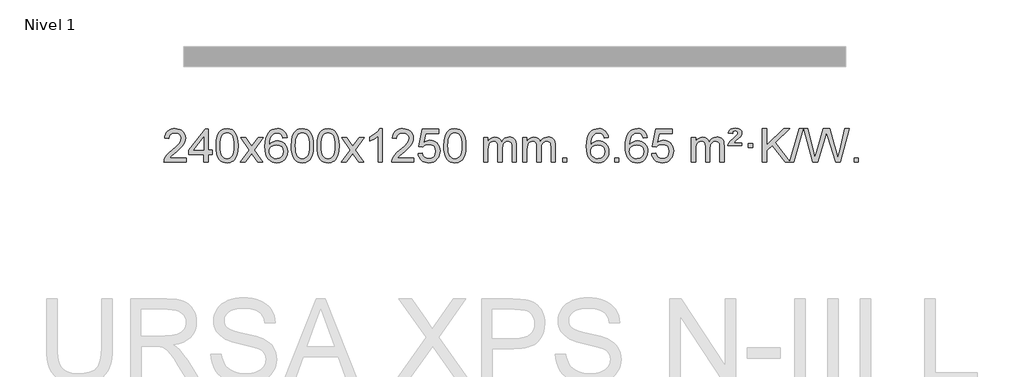
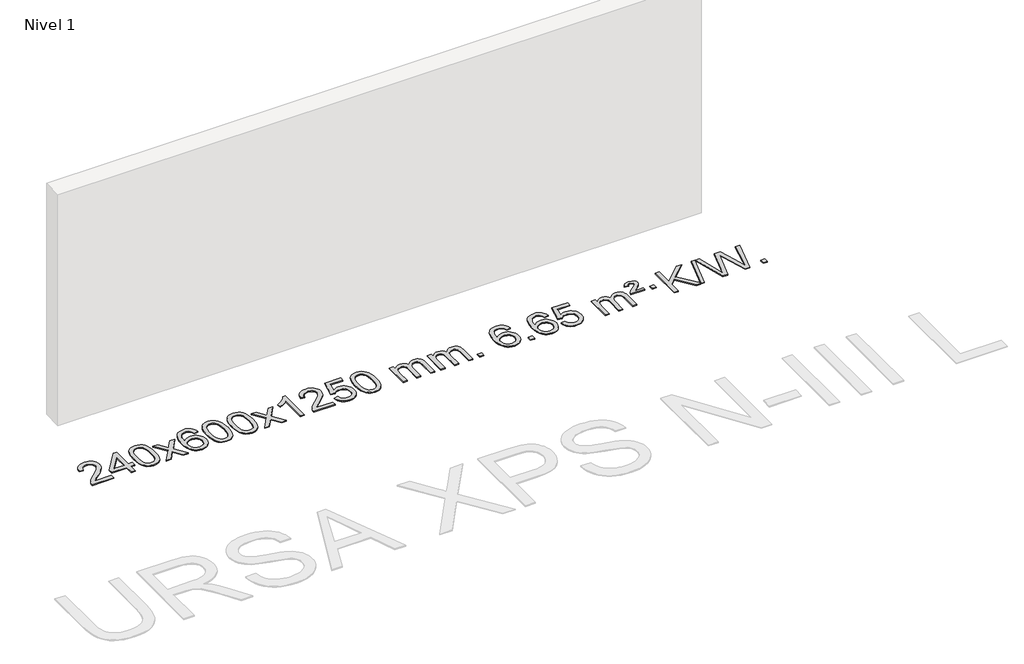
# One storey, part 2 of 12: 1 proxy.
"""IFC4 building model written with IfcOpenShell, lengths in millimetres."""

from ifc_helpers import new_model, si_unit, origin, origin_with_axes, place, context, project, spatial, polyline, outline, extrude, element, save

model = new_model("IFC4")

# Units and contexts
model_context = context("Model", 3, world=origin())
ifc_project = project(units=[si_unit("LENGTHUNIT", "METRE", prefix="MILLI")], contexts=[model_context])

# Site, building, storey
site = spatial("IfcSite", under=ifc_project)
building = spatial("IfcBuilding", under=site)
storey = spatial("IfcBuildingStorey", under=building, Name="Nivel 1", Elevation=0.0)

# Proxy
placement = place(None, origin())
element("IfcBuildingElementProxy", 1, Name="Texto de modelo 1", ObjectType="Texto de modelo 1", at=placement, inside=storey, context=model_context, shape_type="SweptSolid", body=[
    extrude(outline(polyline([(-6506.3978655, -27369.3512979), (-6506.3978655, -27419.579453), (-6770.0956797, -27419.579453), (-6768.9920337, -27401.8965918), (-6764.7000771, -27384.9494945), (-6752.3147166, -27357.8856424), (-6734.190397, -27331.6311307), (-6707.9726734, -27304.1503456), (-6671.3071012, -27273.4076736), (-6617.1058206, -27225.2641831), (-6584.5850522, -27189.7267824), (-6568.3246681, -27160.884834), (-6562.90454, -27132.8277005), (-6568.0180997, -27107.6768347), (-6583.3587789, -27086.7688747), (-6606.9400148, -27072.6789943), (-6636.7752446, -27067.9823675), (-6668.1065279, -27072.5686297), (-6692.4480532, -27086.3274163), (-6708.1566144, -27108.1796068), (-6713.5890052, -27137.0460807), (-6763.8171603, -27130.7675613), (-6759.4976125, -27104.838012), (-6751.6402663, -27082.1826125), (-6740.2451215, -27062.8013627), (-6725.3121781, -27046.6942627), (-6707.1847928, -27034.0329907), (-6686.206322, -27024.989225), (-6662.3767658, -27019.5629655), (-6635.6961241, -27017.7542124), (-6608.7763591, -27019.7653006), (-6584.8180442, -27025.7985654), (-6563.8211793, -27035.8540066), (-6545.7857645, -27049.9316242), (-6531.3004109, -27066.9890861), (-6520.9537298, -27085.9840598), (-6514.7457211, -27106.9165453), (-6512.6763849, -27129.7865427), (-6514.9082024, -27153.8092369), (-6521.6036547, -27177.4149983), (-6533.4862431, -27201.4254299), (-6551.2794689, -27226.6621347), (-6579.6431708, -27256.7916701), (-6623.2371872, -27295.4805933), (-6681.0191859, -27343.795762), (-6703.6807168, -27369.3512979), (-6506.3978655, -27369.3512979)])), origin_with_axes(), (0.0, 0.0, 1.0), 10.0),
    extrude(outline(polyline([(-6292.9282065, -27419.579453), (-6292.9282065, -27325.4016622), (-6475.0052686, -27325.4016622), (-6475.0052686, -27275.1735072), (-6280.3711677, -27024.0327318), (-6242.7000514, -27024.0327318), (-6242.7000514, -27275.1735072), (-6192.4718963, -27275.1735072), (-6192.4718963, -27325.4016622), (-6242.7000514, -27325.4016622), (-6242.7000514, -27419.579453), (-6292.9282065, -27419.579453)]), holes=[polyline([(-6292.9282065, -27275.1735072), (-6292.9282065, -27119.9763561), (-6413.2010934, -27275.1735072), (-6292.9282065, -27275.1735072)])]), origin_with_axes(), (0.0, 0.0, 1.0), 10.0),
    extrude(outline(polyline([(-6148.5222606, -27221.9041943), (-6144.8311779, -27157.5861588), (-6133.7579299, -27106.2911459), (-6115.4128811, -27067.2343407), (-6103.5548181, -27052.0009605), (-6089.9063961, -27039.6309284), (-6074.4216298, -27030.0598651), (-6057.0545339, -27023.2233914), (-6016.6733536, -27017.7542124), (-5985.722215, -27020.991574), (-5958.0084381, -27030.7036586), (-5934.8318724, -27046.5103217), (-5917.4923677, -27068.0314184), (-5904.3957686, -27095.0830078), (-5893.94792, -27127.4811488), (-5887.1053149, -27168.6226186), (-5884.8244465, -27221.9041943), (-5888.478741, -27285.8543477), (-5899.4416244, -27337.0267333), (-5917.6763087, -27376.1203266), (-5929.5067805, -27391.3996922), (-5943.1460055, -27403.8341036), (-5958.6491659, -27413.4695462), (-5976.071444, -27420.3520052), (-6016.6733536, -27425.8579724), (-6044.3380796, -27423.4667394), (-6068.8635459, -27416.2930405), (-6090.2497526, -27404.3368757), (-6108.4966996, -27387.5982449), (-6126.0078825, -27357.3399508), (-6138.5158704, -27319.6381776), (-6146.0206631, -27274.4929255), (-6148.5222606, -27221.9041943)]), holes=[polyline([(-6098.2941056, -27221.8060924), (-6096.8225776, -27265.4706195), (-6092.4079936, -27300.8148822), (-6085.0503537, -27327.8388804), (-6074.7496579, -27346.5426142), (-6062.290721, -27359.2682656), (-6048.4583579, -27368.3580165), (-6033.2525688, -27373.8118671), (-6016.6733536, -27375.6298173), (-6000.0941383, -27373.8057357), (-5984.8883492, -27368.3334911), (-5971.0559862, -27359.2130833), (-5958.5970493, -27346.4445124), (-5948.2963534, -27327.7101217), (-5940.9387135, -27300.6922549), (-5936.5241295, -27265.3909118), (-5935.0526016, -27221.8060924), (-5936.4750786, -27179.2973278), (-5940.7425098, -27144.5753989), (-5947.854895, -27117.6403055), (-5957.8122343, -27098.4920476), (-5970.0627048, -27085.1440625), (-5984.0544833, -27075.6097875), (-5999.78757, -27069.8892225), (-6017.2619648, -27067.9823675), (-6033.7553409, -27069.6623619), (-6048.7036126, -27074.7023452), (-6062.10678, -27083.1023175), (-6073.9648429, -27094.8622786), (-6084.6088953, -27115.708925), (-6092.2117899, -27143.8151094), (-6096.7735266, -27179.1808319), (-6098.2941056, -27221.8060924)])]), origin_with_axes(), (0.0, 0.0, 1.0), 10.0),
    extrude(outline(polyline([(-5859.7103689, -27419.579453), (-5752.3869282, -27271.2494325), (-5853.4318496, -27124.4890419), (-5793.0011005, -27124.4890419), (-5744.2444734, -27195.122385), (-5721.4848406, -27228.4770192), (-5701.7663657, -27201.2047007), (-5646.2407099, -27124.4890419), (-5585.8099608, -27124.4890419), (-5691.9561791, -27271.2494325), (-5589.7340354, -27419.579453), (-5650.1647845, -27419.579453), (-5711.6746541, -27330.4048574), (-5722.9563686, -27314.1199477), (-5799.2796199, -27419.579453), (-5859.7103689, -27419.579453)])), origin_with_axes(), (0.0, 0.0, 1.0), 10.0),
    extrude(outline(polyline([(-5300.9221437, -27124.4890419), (-5351.1502988, -27130.7675613), (-5359.2437027, -27105.874213), (-5370.1820607, -27088.8780648), (-5392.9662189, -27073.2062918), (-5420.5083176, -27067.9823675), (-5443.8565616, -27071.0235253), (-5465.8313794, -27080.1469988), (-5484.7037258, -27099.3627017), (-5500.1179814, -27125.8134171), (-5510.5290419, -27163.227016), (-5514.3918028, -27215.3313693), (-5494.2441322, -27191.8237098), (-5470.0988106, -27175.2567573), (-5443.3047386, -27165.434308), (-5415.2108169, -27162.1601582), (-5391.077758, -27164.398107), (-5368.8086346, -27171.1119534), (-5348.4034466, -27182.3016975), (-5329.862194, -27197.9673391), (-5314.4540698, -27217.1769106), (-5303.4482668, -27238.9984443), (-5296.844785, -27263.4319401), (-5294.6436244, -27290.4773982), (-5298.7884282, -27326.4439945), (-5311.2228396, -27359.786366), (-5330.9167891, -27388.0642287), (-5356.840207, -27408.8372987), (-5387.815871, -27421.602804), (-5422.6665587, -27425.8579724), (-5452.6090874, -27423.0375437), (-5479.6514797, -27414.5762579), (-5503.7937357, -27400.4741147), (-5525.0358552, -27380.7311143), (-5542.3539001, -27354.5133908), (-5554.7239322, -27320.9870783), (-5562.1459515, -27280.1521768), (-5564.6199579, -27232.0086864), (-5561.8731057, -27178.0342663), (-5553.632549, -27131.9693092), (-5539.8982878, -27093.8138149), (-5520.6703222, -27063.5677835), (-5499.8298072, -27043.5243462), (-5475.6660915, -27029.2076052), (-5448.179175, -27020.6175606), (-5417.3690579, -27017.7542124), (-5394.2354118, -27019.5261773), (-5373.2967949, -27024.8420722), (-5354.5532073, -27033.7018969), (-5338.0046489, -27046.1056515), (-5324.0987094, -27061.6364031), (-5313.2829788, -27079.8772186), (-5305.5574569, -27100.8280983), (-5300.9221437, -27124.4890419)]), holes=[polyline([(-5514.3918028, -27289.6925832), (-5511.485535, -27311.9494439), (-5502.7667318, -27333.2007605), (-5489.2286743, -27351.472233), (-5471.8646442, -27364.7895612), (-5450.9076332, -27372.9197533), (-5426.5906333, -27375.6298173), (-5393.4444655, -27370.0134855), (-5379.5293291, -27362.9930708), (-5367.3861575, -27353.1644901), (-5357.5361171, -27340.9262824), (-5350.500374, -27326.6769865), (-5344.8717794, -27292.1451299), (-5350.4267976, -27258.9989621), (-5357.3705702, -27245.3781312), (-5367.0918519, -27233.725469), (-5379.2718117, -27224.3904634), (-5393.5916183, -27217.7226022), (-5428.6507725, -27212.3883133), (-5461.7478893, -27217.7226022), (-5489.4248781, -27233.725469), (-5500.3479076, -27245.2248471), (-5508.1500716, -27258.3858254), (-5512.83137, -27273.2084042), (-5514.3918028, -27289.6925832)])]), origin_with_axes(), (0.0, 0.0, 1.0), 10.0),
    extrude(outline(polyline([(-5250.6939887, -27221.9041943), (-5247.002906, -27157.5861588), (-5235.9296579, -27106.2911459), (-5217.5846091, -27067.2343407), (-5205.7265461, -27052.0009605), (-5192.0781241, -27039.6309284), (-5176.5933578, -27030.0598651), (-5159.2262619, -27023.2233914), (-5118.8450816, -27017.7542124), (-5087.8939431, -27020.991574), (-5060.1801661, -27030.7036586), (-5037.0036004, -27046.5103217), (-5019.6640957, -27068.0314184), (-5006.5674967, -27095.0830078), (-4996.119648, -27127.4811488), (-4989.2770429, -27168.6226186), (-4986.9961745, -27221.9041943), (-4990.650469, -27285.8543477), (-5001.6133525, -27337.0267333), (-5019.8480367, -27376.1203266), (-5031.6785085, -27391.3996922), (-5045.3177335, -27403.8341036), (-5060.8208939, -27413.4695462), (-5078.2431721, -27420.3520052), (-5118.8450816, -27425.8579724), (-5146.5098076, -27423.4667394), (-5171.035274, -27416.2930405), (-5192.4214806, -27404.3368757), (-5210.6684276, -27387.5982449), (-5228.1796106, -27357.3399508), (-5240.6875984, -27319.6381776), (-5248.1923911, -27274.4929255), (-5250.6939887, -27221.9041943)]), holes=[polyline([(-5200.4658336, -27221.8060924), (-5198.9943056, -27265.4706195), (-5194.5797217, -27300.8148822), (-5187.2220818, -27327.8388804), (-5176.9213859, -27346.5426142), (-5164.462449, -27359.2682656), (-5150.630086, -27368.3580165), (-5135.4242968, -27373.8118671), (-5118.8450816, -27375.6298173), (-5102.2658663, -27373.8057357), (-5087.0600772, -27368.3334911), (-5073.2277142, -27359.2130833), (-5060.7687773, -27346.4445124), (-5050.4680814, -27327.7101217), (-5043.1104415, -27300.6922549), (-5038.6958576, -27265.3909118), (-5037.2243296, -27221.8060924), (-5038.6468066, -27179.2973278), (-5042.9142378, -27144.5753989), (-5050.026623, -27117.6403055), (-5059.9839624, -27098.4920476), (-5072.2344328, -27085.1440625), (-5086.2262114, -27075.6097875), (-5101.959298, -27069.8892225), (-5119.4336928, -27067.9823675), (-5135.9270689, -27069.6623619), (-5150.8753406, -27074.7023452), (-5164.278508, -27083.1023175), (-5176.136571, -27094.8622786), (-5186.7806234, -27115.708925), (-5194.3835179, -27143.8151094), (-5198.9452547, -27179.1808319), (-5200.4658336, -27221.8060924)])]), origin_with_axes(), (0.0, 0.0, 1.0), 10.0),
    extrude(outline(polyline([(-4943.0465388, -27221.9041943), (-4939.3554561, -27157.5861588), (-4928.2822081, -27106.2911459), (-4909.9371593, -27067.2343407), (-4898.0790963, -27052.0009605), (-4884.4306743, -27039.6309284), (-4868.945908, -27030.0598651), (-4851.5788121, -27023.2233914), (-4811.1976318, -27017.7542124), (-4780.2464932, -27020.991574), (-4752.5327163, -27030.7036586), (-4729.3561506, -27046.5103217), (-4712.0166459, -27068.0314184), (-4698.9200468, -27095.0830078), (-4688.4721982, -27127.4811488), (-4681.6295931, -27168.6226186), (-4679.3487247, -27221.9041943), (-4683.0030192, -27285.8543477), (-4693.9659026, -27337.0267333), (-4712.2005869, -27376.1203266), (-4724.0310587, -27391.3996922), (-4737.6702837, -27403.8341036), (-4753.1734441, -27413.4695462), (-4770.5957222, -27420.3520052), (-4811.1976318, -27425.8579724), (-4838.8623578, -27423.4667394), (-4863.3878241, -27416.2930405), (-4884.7740308, -27404.3368757), (-4903.0209778, -27387.5982449), (-4920.5321607, -27357.3399508), (-4933.0401486, -27319.6381776), (-4940.5449413, -27274.4929255), (-4943.0465388, -27221.9041943)]), holes=[polyline([(-4892.8183838, -27221.8060924), (-4891.3468558, -27265.4706195), (-4886.9322718, -27300.8148822), (-4879.5746319, -27327.8388804), (-4869.2739361, -27346.5426142), (-4856.8149992, -27359.2682656), (-4842.9826361, -27368.3580165), (-4827.776847, -27373.8118671), (-4811.1976318, -27375.6298173), (-4794.6184165, -27373.8057357), (-4779.4126274, -27368.3334911), (-4765.5802644, -27359.2130833), (-4753.1213275, -27346.4445124), (-4742.8206316, -27327.7101217), (-4735.4629917, -27300.6922549), (-4731.0484077, -27265.3909118), (-4729.5768798, -27221.8060924), (-4730.9993568, -27179.2973278), (-4735.266788, -27144.5753989), (-4742.3791732, -27117.6403055), (-4752.3365125, -27098.4920476), (-4764.586983, -27085.1440625), (-4778.5787615, -27075.6097875), (-4794.3118482, -27069.8892225), (-4811.786243, -27067.9823675), (-4828.2796191, -27069.6623619), (-4843.2278908, -27074.7023452), (-4856.6310582, -27083.1023175), (-4868.4891211, -27094.8622786), (-4879.1331735, -27115.708925), (-4886.7360681, -27143.8151094), (-4891.2978048, -27179.1808319), (-4892.8183838, -27221.8060924)])]), origin_with_axes(), (0.0, 0.0, 1.0), 10.0),
    extrude(outline(polyline([(-4654.2346472, -27419.579453), (-4546.9112064, -27271.2494325), (-4647.9561278, -27124.4890419), (-4587.5253787, -27124.4890419), (-4538.7687516, -27195.122385), (-4516.0091188, -27228.4770192), (-4496.2906439, -27201.2047007), (-4440.7649881, -27124.4890419), (-4380.334239, -27124.4890419), (-4486.4804574, -27271.2494325), (-4384.2583136, -27419.579453), (-4444.6890627, -27419.579453), (-4506.1989323, -27330.4048574), (-4517.4806468, -27314.1199477), (-4593.8038981, -27419.579453), (-4654.2346472, -27419.579453)])), origin_with_axes(), (0.0, 0.0, 1.0), 10.0),
    extrude(outline(polyline([(-4164.5101352, -27419.579453), (-4214.7382902, -27419.579453), (-4214.7382902, -27106.4382987), (-4235.707564, -27123.3976587), (-4262.317695, -27140.3324932), (-4315.1946004, -27165.6918254), (-4315.1946004, -27118.2105225), (-4275.7453878, -27096.7507395), (-4241.5691504, -27071.219729), (-4214.6279257, -27044.0700378), (-4196.8837508, -27017.7542124), (-4164.5101352, -27017.7542124), (-4164.5101352, -27419.579453)])), origin_with_axes(), (0.0, 0.0, 1.0), 10.0),
    extrude(outline(polyline([(-3787.7989721, -27369.3512979), (-3787.7989721, -27419.579453), (-4051.4967863, -27419.579453), (-4050.3931403, -27401.8965918), (-4046.1011837, -27384.9494945), (-4033.7158232, -27357.8856424), (-4015.5915035, -27331.6311307), (-3989.37378, -27304.1503456), (-3952.7082078, -27273.4076736), (-3898.5069272, -27225.2641831), (-3865.9861588, -27189.7267824), (-3849.7257746, -27160.884834), (-3844.3056466, -27132.8277005), (-3849.4192063, -27107.6768347), (-3864.7598855, -27086.7688747), (-3888.3411214, -27072.6789943), (-3918.1763512, -27067.9823675), (-3949.5076345, -27072.5686297), (-3973.8491598, -27086.3274163), (-3989.557721, -27108.1796068), (-3994.9901118, -27137.0460807), (-4045.2182669, -27130.7675613), (-4040.8987191, -27104.838012), (-4033.0413728, -27082.1826125), (-4021.646228, -27062.8013627), (-4006.7132847, -27046.6942627), (-3988.5858994, -27034.0329907), (-3967.6074286, -27024.989225), (-3943.7778724, -27019.5629655), (-3917.0972307, -27017.7542124), (-3890.1774657, -27019.7653006), (-3866.2191508, -27025.7985654), (-3845.2222859, -27035.8540066), (-3827.1868711, -27049.9316242), (-3812.7015175, -27066.9890861), (-3802.3548364, -27085.9840598), (-3796.1468277, -27106.9165453), (-3794.0774915, -27129.7865427), (-3796.3093089, -27153.8092369), (-3803.0047612, -27177.4149983), (-3814.8873497, -27201.4254299), (-3832.6805755, -27226.6621347), (-3861.0442774, -27256.7916701), (-3904.6382938, -27295.4805933), (-3962.4202925, -27343.795762), (-3985.0818234, -27369.3512979), (-3787.7989721, -27369.3512979)])), origin_with_axes(), (0.0, 0.0, 1.0), 10.0),
    extrude(outline(polyline([(-3737.570817, -27312.8446235), (-3687.342662, -27306.5661041), (-3678.1210866, -27336.7201649), (-3662.0323807, -27358.3148381), (-3639.1501206, -27371.3010725), (-3609.5478827, -27375.6298173), (-3590.418019, -27374.1245668), (-3573.5444981, -27369.6088153), (-3558.9273202, -27362.0825628), (-3546.5664851, -27351.5458094), (-3536.7379045, -27338.519721), (-3529.7174898, -27323.5254641), (-3524.101158, -27287.6324441), (-3529.3618705, -27253.8363514), (-3535.9377612, -27239.9181493), (-3545.1440081, -27227.9865099), (-3557.0112681, -27218.4154467), (-3571.5701981, -27211.5789729), (-3608.7630678, -27206.1097939), (-3633.1291186, -27208.2925604), (-3652.8598563, -27214.8408599), (-3668.6174684, -27224.8717757), (-3681.0641426, -27237.5023908), (-3731.2922977, -27231.2238715), (-3687.342662, -27024.0327318), (-3492.708561, -27024.0327318), (-3492.708561, -27074.2608869), (-3646.7284897, -27074.2608869), (-3668.2127982, -27184.919791), (-3650.4870174, -27172.2155994), (-3632.332041, -27163.1411769), (-3613.7478688, -27157.6965234), (-3594.734501, -27155.8816388), (-3570.273414, -27158.1318504), (-3547.8050212, -27164.882485), (-3527.3293225, -27176.1335427), (-3508.8463179, -27191.8850234), (-3493.5454926, -27211.1743027), (-3482.6163316, -27233.038756), (-3476.0588351, -27257.4783832), (-3473.8730029, -27284.4931844), (-3475.8411716, -27310.5147042), (-3481.7456776, -27334.7213394), (-3491.586521, -27357.1130902), (-3505.3637017, -27377.6899565), (-3526.2348735, -27398.7634634), (-3550.5886616, -27413.8159684), (-3578.4250659, -27422.8474714), (-3609.7440864, -27425.8579724), (-3635.6644387, -27423.9235262), (-3659.077062, -27418.1201877), (-3679.9819564, -27408.447957), (-3698.3791218, -27394.9068338), (-3713.6860785, -27378.1712688), (-3725.3203466, -27358.915712), (-3733.2819261, -27337.1401636), (-3737.570817, -27312.8446235)])), origin_with_axes(), (0.0, 0.0, 1.0), 10.0),
    extrude(outline(polyline([(-3429.9233672, -27221.9041943), (-3426.2322845, -27157.5861588), (-3415.1590365, -27106.2911459), (-3396.8139876, -27067.2343407), (-3384.9559247, -27052.0009605), (-3371.3075026, -27039.6309284), (-3355.8227363, -27030.0598651), (-3338.4556405, -27023.2233914), (-3298.0744601, -27017.7542124), (-3267.1233216, -27020.991574), (-3239.4095446, -27030.7036586), (-3216.2329789, -27046.5103217), (-3198.8934742, -27068.0314184), (-3185.7968752, -27095.0830078), (-3175.3490265, -27127.4811488), (-3168.5064214, -27168.6226186), (-3166.2255531, -27221.9041943), (-3169.8798475, -27285.8543477), (-3180.842731, -27337.0267333), (-3199.0774152, -27376.1203266), (-3210.9078871, -27391.3996922), (-3224.547112, -27403.8341036), (-3240.0502724, -27413.4695462), (-3257.4725506, -27420.3520052), (-3298.0744601, -27425.8579724), (-3325.7391862, -27423.4667394), (-3350.2646525, -27416.2930405), (-3371.6508592, -27404.3368757), (-3389.8978061, -27387.5982449), (-3407.4089891, -27357.3399508), (-3419.9169769, -27319.6381776), (-3427.4217696, -27274.4929255), (-3429.9233672, -27221.9041943)]), holes=[polyline([(-3379.6952121, -27221.8060924), (-3378.2236842, -27265.4706195), (-3373.8091002, -27300.8148822), (-3366.4514603, -27327.8388804), (-3356.1507644, -27346.5426142), (-3343.6918275, -27359.2682656), (-3329.8594645, -27368.3580165), (-3314.6536754, -27373.8118671), (-3298.0744601, -27375.6298173), (-3281.4952449, -27373.8057357), (-3266.2894558, -27368.3334911), (-3252.4570927, -27359.2130833), (-3239.9981558, -27346.4445124), (-3229.69746, -27327.7101217), (-3222.3398201, -27300.6922549), (-3217.9252361, -27265.3909118), (-3216.4537081, -27221.8060924), (-3217.8761852, -27179.2973278), (-3222.1436163, -27144.5753989), (-3229.2560016, -27117.6403055), (-3239.2133409, -27098.4920476), (-3251.4638113, -27085.1440625), (-3265.4555899, -27075.6097875), (-3281.1886766, -27069.8892225), (-3298.6630713, -27067.9823675), (-3315.1564474, -27069.6623619), (-3330.1047192, -27074.7023452), (-3343.5078865, -27083.1023175), (-3355.3659495, -27094.8622786), (-3366.0100019, -27115.708925), (-3373.6128965, -27143.8151094), (-3378.1746332, -27179.1808319), (-3379.6952121, -27221.8060924)])]), origin_with_axes(), (0.0, 0.0, 1.0), 10.0),
    extrude(outline(polyline([(-2952.755894, -27419.579453), (-2952.755894, -27124.4890419), (-2902.5277389, -27124.4890419), (-2902.5277389, -27173.0494653), (-2887.4200517, -27150.7435537), (-2867.9958823, -27133.2691589), (-2844.9174185, -27121.9751816), (-2818.8468478, -27118.2105225), (-2790.9123416, -27122.048758), (-2768.5205908, -27133.5634645), (-2751.7942228, -27151.9943524), (-2740.8558648, -27176.5811324), (-2722.5476041, -27151.0439906), (-2701.6641696, -27132.803175), (-2678.205561, -27121.8586857), (-2652.1717785, -27118.2105225), (-2632.0639617, -27119.7280358), (-2614.414823, -27124.2805755), (-2599.2243623, -27131.8681416), (-2586.4925796, -27142.4907342), (-2576.4279413, -27156.2709806), (-2569.238914, -27173.3315082), (-2564.9254976, -27193.6723168), (-2563.4876922, -27217.2934066), (-2563.4876922, -27419.579453), (-2613.7158472, -27419.579453), (-2613.7158472, -27238.875817), (-2614.8808069, -27213.8230531), (-2618.3756858, -27196.9372695), (-2624.9239854, -27185.3735121), (-2635.2492067, -27176.2868268), (-2648.5297467, -27170.4007149), (-2663.9440023, -27168.4386776), (-2691.1550072, -27173.4663982), (-2713.3382915, -27188.54956), (-2721.9436645, -27200.1194488), (-2728.0903595, -27214.7182326), (-2733.0077155, -27253.0024856), (-2733.0077155, -27419.579453), (-2783.2358706, -27419.579453), (-2783.2358706, -27233.2840106), (-2786.1421384, -27204.8835206), (-2794.8609417, -27184.6254854), (-2810.2016209, -27172.4853796), (-2832.9735164, -27168.4386776), (-2852.3241093, -27171.1364789), (-2870.1541233, -27179.2298828), (-2884.8694032, -27192.5226856), (-2894.8757934, -27210.8186835), (-2900.6147525, -27236.2025411), (-2902.5277389, -27270.7589232), (-2902.5277389, -27419.579453), (-2952.755894, -27419.579453)])), origin_with_axes(), (0.0, 0.0, 1.0), 10.0),
    extrude(outline(polyline([(-2488.1454596, -27419.579453), (-2488.1454596, -27124.4890419), (-2437.9173045, -27124.4890419), (-2437.9173045, -27173.0494653), (-2422.8096172, -27150.7435537), (-2403.3854479, -27133.2691589), (-2380.306984, -27121.9751816), (-2354.2364133, -27118.2105225), (-2326.3019071, -27122.048758), (-2303.9101564, -27133.5634645), (-2287.1837883, -27151.9943524), (-2276.2454303, -27176.5811324), (-2257.9371697, -27151.0439906), (-2237.0537351, -27132.803175), (-2213.5951266, -27121.8586857), (-2187.561344, -27118.2105225), (-2167.4535273, -27119.7280358), (-2149.8043886, -27124.2805755), (-2134.6139279, -27131.8681416), (-2121.8821452, -27142.4907342), (-2111.8175069, -27156.2709806), (-2104.6284796, -27173.3315082), (-2100.3150632, -27193.6723168), (-2098.8772577, -27217.2934066), (-2098.8772577, -27419.579453), (-2149.1054128, -27419.579453), (-2149.1054128, -27238.875817), (-2150.2703724, -27213.8230531), (-2153.7652514, -27196.9372695), (-2160.3135509, -27185.3735121), (-2170.6387722, -27176.2868268), (-2183.9193123, -27170.4007149), (-2199.3335679, -27168.4386776), (-2226.5445728, -27173.4663982), (-2248.7278571, -27188.54956), (-2257.3332301, -27200.1194488), (-2263.4799251, -27214.7182326), (-2268.3972811, -27253.0024856), (-2268.3972811, -27419.579453), (-2318.6254362, -27419.579453), (-2318.6254362, -27233.2840106), (-2321.5317039, -27204.8835206), (-2330.2505072, -27184.6254854), (-2345.5911864, -27172.4853796), (-2368.3630819, -27168.4386776), (-2387.7136749, -27171.1364789), (-2405.5436889, -27179.2298828), (-2420.2589687, -27192.5226856), (-2430.265359, -27210.8186835), (-2436.0043181, -27236.2025411), (-2437.9173045, -27270.7589232), (-2437.9173045, -27419.579453), (-2488.1454596, -27419.579453)])), origin_with_axes(), (0.0, 0.0, 1.0), 10.0),
    extrude(outline(polyline([(-2010.9779863, -27419.579453), (-2010.9779863, -27369.3512979), (-1960.7498313, -27369.3512979), (-1960.7498313, -27419.579453), (-2010.9779863, -27419.579453)])), origin_with_axes(), (0.0, 0.0, 1.0), 10.0),
    extrude(outline(polyline([(-1464.7467999, -27124.4890419), (-1514.974955, -27130.7675613), (-1523.0683589, -27105.874213), (-1534.0067169, -27088.8780648), (-1556.7908751, -27073.2062918), (-1584.3329738, -27067.9823675), (-1607.6812178, -27071.0235253), (-1629.6560356, -27080.1469988), (-1648.528382, -27099.3627017), (-1663.9426376, -27125.8134171), (-1674.353698, -27163.227016), (-1678.216459, -27215.3313693), (-1658.0687884, -27191.8237098), (-1633.9234668, -27175.2567573), (-1607.1293948, -27165.434308), (-1579.0354731, -27162.1601582), (-1554.9024142, -27164.398107), (-1532.6332907, -27171.1119534), (-1512.2281027, -27182.3016975), (-1493.6868502, -27197.9673391), (-1478.278726, -27217.1769106), (-1467.2729229, -27238.9984443), (-1460.6694411, -27263.4319401), (-1458.4682805, -27290.4773982), (-1462.6130843, -27326.4439945), (-1475.0474958, -27359.786366), (-1494.7414452, -27388.0642287), (-1520.6648632, -27408.8372987), (-1551.6405272, -27421.602804), (-1586.4912148, -27425.8579724), (-1616.4337436, -27423.0375437), (-1643.4761359, -27414.5762579), (-1667.6183918, -27400.4741147), (-1688.8605114, -27380.7311143), (-1706.1785563, -27354.5133908), (-1718.5485884, -27320.9870783), (-1725.9706076, -27280.1521768), (-1728.444614, -27232.0086864), (-1725.6977618, -27178.0342663), (-1717.4572051, -27131.9693092), (-1703.722944, -27093.8138149), (-1684.4949784, -27063.5677835), (-1663.6544633, -27043.5243462), (-1639.4907476, -27029.2076052), (-1612.0038312, -27020.6175606), (-1581.1937141, -27017.7542124), (-1558.060068, -27019.5261773), (-1537.1214511, -27024.8420722), (-1518.3778634, -27033.7018969), (-1501.829305, -27046.1056515), (-1487.9233656, -27061.6364031), (-1477.1076349, -27079.8772186), (-1469.382113, -27100.8280983), (-1464.7467999, -27124.4890419)]), holes=[polyline([(-1678.216459, -27289.6925832), (-1675.3101912, -27311.9494439), (-1666.5913879, -27333.2007605), (-1653.0533305, -27351.472233), (-1635.6893003, -27364.7895612), (-1614.7322893, -27372.9197533), (-1590.4152895, -27375.6298173), (-1557.2691217, -27370.0134855), (-1543.3539852, -27362.9930708), (-1531.2108137, -27353.1644901), (-1521.3607733, -27340.9262824), (-1514.3250301, -27326.6769865), (-1508.6964356, -27292.1451299), (-1514.2514537, -27258.9989621), (-1521.1952264, -27245.3781312), (-1530.9165081, -27233.725469), (-1543.0964678, -27224.3904634), (-1557.4162745, -27217.7226022), (-1592.4754286, -27212.3883133), (-1625.5725455, -27217.7226022), (-1653.2495342, -27233.725469), (-1664.1725638, -27245.2248471), (-1671.9747278, -27258.3858254), (-1676.6560262, -27273.2084042), (-1678.216459, -27289.6925832)])]), origin_with_axes(), (0.0, 0.0, 1.0), 10.0),
    extrude(outline(polyline([(-1389.4045673, -27419.579453), (-1389.4045673, -27369.3512979), (-1339.1764122, -27369.3512979), (-1339.1764122, -27419.579453), (-1389.4045673, -27419.579453)])), origin_with_axes(), (0.0, 0.0, 1.0), 10.0),
    extrude(outline(polyline([(-1000.1363655, -27124.4890419), (-1050.3645205, -27130.7675613), (-1058.4579244, -27105.874213), (-1069.3962824, -27088.8780648), (-1092.1804407, -27073.2062918), (-1119.7225394, -27067.9823675), (-1143.0707833, -27071.0235253), (-1165.0456012, -27080.1469988), (-1183.9179475, -27099.3627017), (-1199.3322031, -27125.8134171), (-1209.7432636, -27163.227016), (-1213.6060245, -27215.3313693), (-1193.4583539, -27191.8237098), (-1169.3130323, -27175.2567573), (-1142.5189603, -27165.434308), (-1114.4250386, -27162.1601582), (-1090.2919797, -27164.398107), (-1068.0228563, -27171.1119534), (-1047.6176683, -27182.3016975), (-1029.0764157, -27197.9673391), (-1013.6682915, -27217.1769106), (-1002.6624885, -27238.9984443), (-996.0590067, -27263.4319401), (-993.8578461, -27290.4773982), (-998.0026499, -27326.4439945), (-1010.4370613, -27359.786366), (-1030.1310108, -27388.0642287), (-1056.0544287, -27408.8372987), (-1087.0300927, -27421.602804), (-1121.8807804, -27425.8579724), (-1151.8233091, -27423.0375437), (-1178.8657015, -27414.5762579), (-1203.0079574, -27400.4741147), (-1224.2500769, -27380.7311143), (-1241.5681218, -27354.5133908), (-1253.9381539, -27320.9870783), (-1261.3601732, -27280.1521768), (-1263.8341796, -27232.0086864), (-1261.0873274, -27178.0342663), (-1252.8467707, -27131.9693092), (-1239.1125095, -27093.8138149), (-1219.8845439, -27063.5677835), (-1199.0440289, -27043.5243462), (-1174.8803132, -27029.2076052), (-1147.3933968, -27020.6175606), (-1116.5832797, -27017.7542124), (-1093.4496335, -27019.5261773), (-1072.5110166, -27024.8420722), (-1053.767429, -27033.7018969), (-1037.2188706, -27046.1056515), (-1023.3129312, -27061.6364031), (-1012.4972005, -27079.8772186), (-1004.7716786, -27100.8280983), (-1000.1363655, -27124.4890419)]), holes=[polyline([(-1213.6060245, -27289.6925832), (-1210.6997568, -27311.9494439), (-1201.9809535, -27333.2007605), (-1188.4428961, -27351.472233), (-1171.0788659, -27364.7895612), (-1150.1218549, -27372.9197533), (-1125.804855, -27375.6298173), (-1092.6586872, -27370.0134855), (-1078.7435508, -27362.9930708), (-1066.6003793, -27353.1644901), (-1056.7503388, -27340.9262824), (-1049.7145957, -27326.6769865), (-1044.0860012, -27292.1451299), (-1049.6410193, -27258.9989621), (-1056.5847919, -27245.3781312), (-1066.3060737, -27233.725469), (-1078.4860334, -27224.3904634), (-1092.80584, -27217.7226022), (-1127.8649942, -27212.3883133), (-1160.962111, -27217.7226022), (-1188.6390998, -27233.725469), (-1199.5621294, -27245.2248471), (-1207.3642933, -27258.3858254), (-1212.0455917, -27273.2084042), (-1213.6060245, -27289.6925832)])]), origin_with_axes(), (0.0, 0.0, 1.0), 10.0),
    extrude(outline(polyline([(-949.9082104, -27312.8446235), (-899.6800553, -27306.5661041), (-890.45848, -27336.7201649), (-874.369774, -27358.3148381), (-851.4875139, -27371.3010725), (-821.8852761, -27375.6298173), (-802.7554123, -27374.1245668), (-785.8818915, -27369.6088153), (-771.2647135, -27362.0825628), (-758.9038785, -27351.5458094), (-749.0752979, -27338.519721), (-742.0548831, -27323.5254641), (-736.4385513, -27287.6324441), (-741.6992639, -27253.8363514), (-748.2751545, -27239.9181493), (-757.4814014, -27227.9865099), (-769.3486615, -27218.4154467), (-783.9075914, -27211.5789729), (-821.1004611, -27206.1097939), (-845.466512, -27208.2925604), (-865.1972496, -27214.8408599), (-880.9548618, -27224.8717757), (-893.4015359, -27237.5023908), (-943.629691, -27231.2238715), (-899.6800553, -27024.0327318), (-705.0459544, -27024.0327318), (-705.0459544, -27074.2608869), (-859.065883, -27074.2608869), (-880.5501916, -27184.919791), (-862.8244108, -27172.2155994), (-844.6694343, -27163.1411769), (-826.0852622, -27157.6965234), (-807.0718944, -27155.8816388), (-782.6108074, -27158.1318504), (-760.1424145, -27164.882485), (-739.6667158, -27176.1335427), (-721.1837113, -27191.8850234), (-705.8828859, -27211.1743027), (-694.953725, -27233.038756), (-688.3962284, -27257.4783832), (-686.2103962, -27284.4931844), (-688.1785649, -27310.5147042), (-694.0830709, -27334.7213394), (-703.9239143, -27357.1130902), (-717.701095, -27377.6899565), (-738.5722669, -27398.7634634), (-762.926055, -27413.8159684), (-790.7624593, -27422.8474714), (-822.0814798, -27425.8579724), (-848.001832, -27423.9235262), (-871.4144553, -27418.1201877), (-892.3193497, -27408.447957), (-910.7165152, -27394.9068338), (-926.0234719, -27378.1712688), (-937.6577399, -27358.915712), (-945.6193195, -27337.1401636), (-949.9082104, -27312.8446235)])), origin_with_axes(), (0.0, 0.0, 1.0), 10.0),
    extrude(outline(polyline([(-472.7407372, -27419.579453), (-472.7407372, -27124.4890419), (-422.5125821, -27124.4890419), (-422.5125821, -27173.0494653), (-407.4048948, -27150.7435537), (-387.9807255, -27133.2691589), (-364.9022617, -27121.9751816), (-338.8316909, -27118.2105225), (-310.8971848, -27122.048758), (-288.505434, -27133.5634645), (-271.7790659, -27151.9943524), (-260.840708, -27176.5811324), (-242.5324473, -27151.0439906), (-221.6490127, -27132.803175), (-198.1904042, -27121.8586857), (-172.1566217, -27118.2105225), (-152.0488049, -27119.7280358), (-134.3996662, -27124.2805755), (-119.2092055, -27131.8681416), (-106.4774228, -27142.4907342), (-96.4127845, -27156.2709806), (-89.2237572, -27173.3315082), (-84.9103408, -27193.6723168), (-83.4725353, -27217.2934066), (-83.4725353, -27419.579453), (-133.7006904, -27419.579453), (-133.7006904, -27238.875817), (-134.8656501, -27213.8230531), (-138.360529, -27196.9372695), (-144.9088285, -27185.3735121), (-155.2340499, -27176.2868268), (-168.5145899, -27170.4007149), (-183.9288455, -27168.4386776), (-211.1398504, -27173.4663982), (-233.3231347, -27188.54956), (-241.9285077, -27200.1194488), (-248.0752027, -27214.7182326), (-252.9925587, -27253.0024856), (-252.9925587, -27419.579453), (-303.2207138, -27419.579453), (-303.2207138, -27233.2840106), (-306.1269816, -27204.8835206), (-314.8457848, -27184.6254854), (-330.186464, -27172.4853796), (-352.9583595, -27168.4386776), (-372.3089525, -27171.1364789), (-390.1389665, -27179.2298828), (-404.8542463, -27192.5226856), (-414.8606366, -27210.8186835), (-420.5995957, -27236.2025411), (-422.5125821, -27270.7589232), (-422.5125821, -27419.579453), (-472.7407372, -27419.579453)])), origin_with_axes(), (0.0, 0.0, 1.0), 10.0),
    extrude(outline(polyline([(-39.5228997, -27218.6668327), (-35.6969269, -27202.8479069), (-27.3582683, -27186.9799302), (-5.8494344, -27161.8413272), (26.1072483, -27134.1030247), (70.2530877, -27096.726214), (77.3899984, -27085.1992448), (79.7689686, -27073.3779701), (77.8805077, -27061.2869152), (72.215125, -27051.5012541), (62.8463969, -27045.026531), (49.8478997, -27042.8682899), (37.4134883, -27044.4869707), (28.5597949, -27049.343013), (22.1341227, -27058.8098431), (16.9837748, -27074.2608869), (-33.2443803, -27067.9823675), (-22.4041241, -27042.7701881), (-5.775858, -27025.2099542), (17.9893189, -27014.9092583), (50.2403072, -27011.475693), (86.0229626, -27015.6082341), (110.7691581, -27028.0058573), (125.1901323, -27046.3386434), (129.9971237, -27068.2766731), (125.9013708, -27091.1834586), (113.6141122, -27112.8149199), (93.0862969, -27132.6314968), (56.6169284, -27160.6886303), (31.0123416, -27187.2742358), (129.9971237, -27187.2742358), (129.9971237, -27218.6668327), (-39.5228997, -27218.6668327)])), origin_with_axes(), (0.0, 0.0, 1.0), 10.0),
    extrude(outline(polyline([(205.3393563, -27243.7809102), (205.3393563, -27193.5527552), (255.5675114, -27193.5527552), (255.5675114, -27243.7809102), (205.3393563, -27243.7809102)])), origin_with_axes(), (0.0, 0.0, 1.0), 10.0),
    extrude(outline(polyline([(646.2091394, -27419.579453), (492.7778219, -27216.9009991), (425.0875348, -27281.4520265), (425.0875348, -27419.579453), (374.8593797, -27419.579453), (374.8593797, -27017.7542124), (425.0875348, -27017.7542124), (425.0875348, -27214.4484525), (631.1014521, -27017.7542124), (701.3423877, -27017.7542124), (528.388799, -27182.9577537), (703.0424089, -27413.5349332), (814.3557366, -27017.7542124), (859.6787984, -27017.7542124), (746.6654495, -27419.579453), (707.6209071, -27419.579453), (701.3423877, -27419.579453), (646.2091394, -27419.579453)])), origin_with_axes(), (0.0, 0.0, 1.0), 10.0),
    extrude(outline(polyline([(974.1636753, -27419.579453), (864.5838917, -27017.7542124), (916.3816766, -27017.7542124), (979.9516854, -27281.844434), (999.5720585, -27363.3670841), (1020.5658576, -27291.2622131), (1100.2245723, -27017.7542124), (1174.8800919, -27017.7542124), (1232.7601925, -27216.0180823), (1257.5554389, -27289.5944814), (1275.8269114, -27363.3670841), (1294.8586732, -27284.1988788), (1359.0172932, -27017.7542124), (1410.8150781, -27017.7542124), (1301.1371926, -27419.579453), (1247.4754723, -27419.579453), (1151.1394405, -27109.5775584), (1137.6994849, -27066.3146358), (1122.5917976, -27118.4067263), (1034.7906281, -27419.579453), (974.1636753, -27419.579453)])), origin_with_axes(), (0.0, 0.0, 1.0), 10.0),
    extrude(outline(polyline([(1467.3217526, -27419.579453), (1467.3217526, -27369.3512979), (1517.5499077, -27369.3512979), (1517.5499077, -27419.579453), (1467.3217526, -27419.579453)])), origin_with_axes(), (0.0, 0.0, 1.0), 10.0),
])

save(model, "model.ifc")
